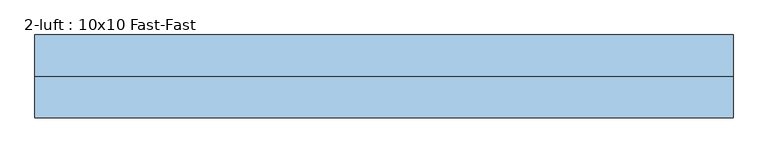
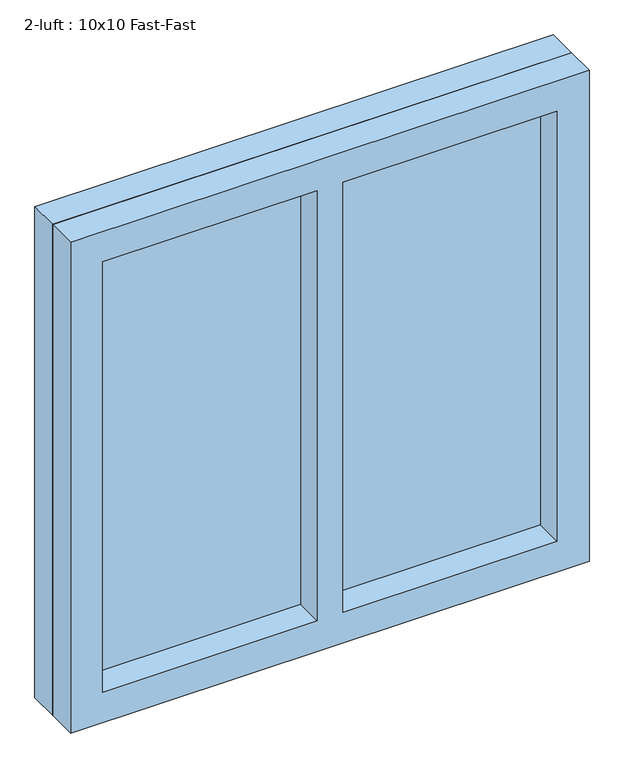
"""IFC4 building model written with IfcOpenShell, lengths in millimetres: window geometry, 2-luft : 10x10 Fast-Fast."""

from ifc_helpers import new_model, si_unit, frame, origin, place, context, project, spatial, polyline, outline, extrude, source, transform, mapped, element, save


def window_2_luft_10x10_fast_fast_a3721e1f(model_context):
    return source(origin(), model_context, "Body", "SweptSolid", [
        extrude(outline(polyline([(442.5, -36.0), (442.5, -44.0), (25.5, -44.0), (25.5, -36.0), (442.5, -36.0)])), frame((0.0, 0.0, 862.5), z_axis=(0.0, 0.0, 1.0), x_axis=(1.0, 0.0, 0.0)), (0.0, 0.0, 1.0), 885.0),
        extrude(outline(polyline([(-24.5, -36.0), (-24.5, -44.0), (-442.5, -44.0), (-442.5, -36.0), (-24.5, -36.0)])), frame((0.0, 0.0, 862.5), z_axis=(0.0, 0.0, 1.0), x_axis=(1.0, 0.0, 0.0)), (0.0, 0.0, 1.0), 885.0),
        extrude(outline(polyline([(1810.0, -505.0), (800.0, -505.0), (800.0, 505.0), (1810.0, 505.0), (1810.0, -505.0)]), holes=[polyline([(1747.5, -24.5), (862.5, -24.5), (862.5, -442.5), (1747.5, -442.5), (1747.5, -24.5)]), polyline([(1747.5, 442.5), (862.5, 442.5), (862.5, 25.5), (1747.5, 25.5), (1747.5, 442.5)])]), frame((0.0, -40.0, 0.0), z_axis=(0.0, 1.0, 0.0), x_axis=(0.0, 0.0, 1.0)), (0.0, 0.0, 1.0), 60.0),
        extrude(outline(polyline([(1810.0, -505.0), (800.0, -505.0), (800.0, 505.0), (1810.0, 505.0), (1810.0, -505.0)]), holes=[polyline([(1747.5, 25.5), (1747.5, 442.5), (862.5, 442.5), (862.5, 25.5), (1747.5, 25.5)]), polyline([(1747.5, -442.5), (1747.5, -24.5), (862.5, -24.5), (862.5, -442.5), (1747.5, -442.5)])]), frame((0.0, -100.0, 0.0), z_axis=(0.0, 1.0, 0.0), x_axis=(0.0, 0.0, 1.0)), (0.0, 0.0, 1.0), 60.0),
    ])


if __name__ == "__main__":
    model = new_model("IFC4")
    model_context = context("Model", 3, world=origin())
    ifc_project = project(units=[si_unit("LENGTHUNIT", "METRE", prefix="MILLI")], contexts=[model_context])
    site = spatial("IfcSite", under=ifc_project)
    building = spatial("IfcBuilding", under=site)
    placement = place(None, origin())
    window_2_luft_10x10_fast_fast_shape = window_2_luft_10x10_fast_fast_a3721e1f(model_context)
    element("IfcWindow", 1, ObjectType="2-luft : 10x10 Fast-Fast", at=placement, inside=building, context=model_context, shape_type="MappedRepresentation", body=[
        mapped(window_2_luft_10x10_fast_fast_shape, transform((0.0, 0.0, 0.0), x_axis=(1.0, 0.0, 0.0), y_axis=(0.0, 1.0, 0.0), z_axis=(0.0, 0.0, 1.0))),
    ])
    save(model, "model.ifc")
